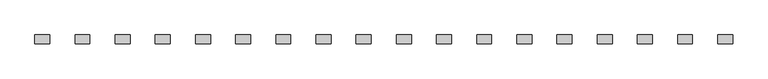
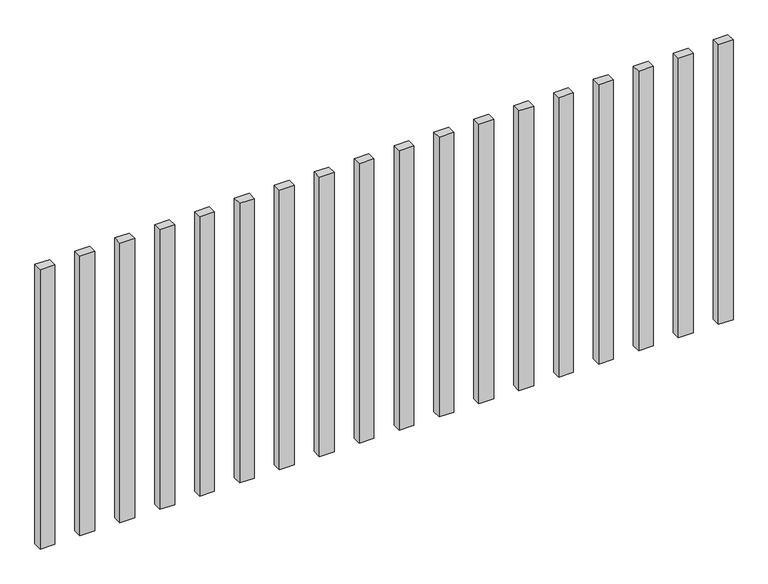
"""IFC4 building model written with IfcOpenShell, lengths in millimetres: railing geometry."""

import ifcopenshell
import ifcopenshell.guid

model = None  # the IFC model being written
_history = None  # IfcOwnerHistory: only IFC2X3 demands one
_inside = {}  # id of a spatial element -> (the spatial element, [elements in it])
_under = {}  # id of a project, library or spatial element -> (it, [spatial elements below it])
_declared = {}  # id of a project -> (the project, [libraries it declares])
_typed = {}  # id of a type object -> (the type object, [elements of that type])
_made_of = {}  # id of a material, layer set ... -> (it, [elements and type objects made of it])


def new_model(schema):
    """Start an empty IFC model of exactly this schema.

    Asked for "IFC4X3", IfcOpenShell would pick the latest addendum, in which some entities
    have other attributes; the version numbers below select the first issue.
    IFC2X3 requires an IfcOwnerHistory on every rooted entity: one is made here for all.
    """
    global model, _history
    if schema == "IFC4X3":
        model = ifcopenshell.file(schema_version=(4, 3, 0, 0))
    else:
        model = ifcopenshell.file(schema=schema)
    _inside.clear()
    _under.clear()
    _declared.clear()
    _typed.clear()
    _made_of.clear()
    _history = None
    if model.schema == "IFC2X3":
        org = make("IfcOrganization", Name="unknown")
        user = make(
            "IfcPersonAndOrganization",
            ThePerson=make("IfcPerson", FamilyName="unknown"),
            TheOrganization=org,
        )
        app = make(
            "IfcApplication",
            ApplicationDeveloper=org,
            Version="unknown",
            ApplicationFullName="unknown",
            ApplicationIdentifier="unknown",
        )
        _history = make(
            "IfcOwnerHistory",
            OwningUser=user,
            OwningApplication=app,
            ChangeAction="ADDED",
            CreationDate=0,
        )
    return model


def make(cls, **values):
    """One entity of the class cls with the attributes given. An attribute that is None is left unset."""
    return model.create_entity(
        cls, **{name: value for name, value in values.items() if value is not None}
    )


def rooted(cls, **values):
    """An entity with a GlobalId (a new one), such as an element, a storey or a relation."""
    return make(cls, GlobalId=ifcopenshell.guid.new(), OwnerHistory=_history, **values)


def si_unit(unit_type, name, prefix=None):
    """IfcSIUnit, for example si_unit("LENGTHUNIT", "METRE", prefix="MILLI")."""
    return make("IfcSIUnit", UnitType=unit_type, Prefix=prefix, Name=name)


def assignment(units):
    """IfcUnitAssignment: the units of a project."""
    return None if units is None else make("IfcUnitAssignment", Units=units)


def point(xyz):
    """IfcCartesianPoint."""
    return None if xyz is None else make("IfcCartesianPoint", Coordinates=xyz)


def direction(xyz):
    """IfcDirection."""
    return None if xyz is None else make("IfcDirection", DirectionRatios=xyz)


def frame(location, z_axis=None, x_axis=None):
    """IfcAxis2Placement3D, a coordinate frame: its origin and axes. An axis left out is left unset."""
    return make(
        "IfcAxis2Placement3D",
        Location=point(location),
        Axis=direction(z_axis),
        RefDirection=direction(x_axis),
    )


def origin():
    """The frame at (0, 0, 0) with its axes left unset."""
    return frame((0.0, 0.0, 0.0))


def origin_with_axes():
    """The frame at (0, 0, 0) with the z axis (0, 0, 1) and the x axis (1, 0, 0) written out."""
    return frame((0.0, 0.0, 0.0), z_axis=(0.0, 0.0, 1.0), x_axis=(1.0, 0.0, 0.0))


def place(relative_to, where):
    """IfcLocalPlacement: puts the frame where relative to a parent placement (None: the world)."""
    return make(
        "IfcLocalPlacement", PlacementRelTo=relative_to, RelativePlacement=where
    )


def context(
    kind, dimensions, precision=None, world=None, true_north=None, identifier=None
):
    """IfcGeometricRepresentationContext, for example the 3D "Model" context."""
    return make(
        "IfcGeometricRepresentationContext",
        ContextIdentifier=identifier,
        ContextType=kind,
        CoordinateSpaceDimension=dimensions,
        Precision=precision,
        WorldCoordinateSystem=world,
        TrueNorth=true_north,
    )


def project(units=None, contexts=None):
    """IfcProject with its units and contexts."""
    return rooted(
        "IfcProject",
        Name="project",
        RepresentationContexts=contexts,
        UnitsInContext=assignment(units),
    )


def spatial(cls, under=None, at=None, **own):
    """A site, building, storey or space (cls), placed at a placement, below another one or the project."""
    s = rooted(cls, ObjectPlacement=at, **own)
    if under is not None:
        _under.setdefault(under.id(), (under, []))[1].append(s)
    return s


def polyline(points):
    """IfcPolyline through the points."""
    return make("IfcPolyline", Points=[point(p) for p in points])


def outline(outer, holes=None, kind="AREA"):
    """IfcArbitraryClosedProfileDef: a profile drawn as a closed curve; with holes, ...WithVoids."""
    if holes is None:
        return make("IfcArbitraryClosedProfileDef", ProfileType=kind, OuterCurve=outer)
    return make(
        "IfcArbitraryProfileDefWithVoids",
        ProfileType=kind,
        OuterCurve=outer,
        InnerCurves=holes,
    )


def extrude(swept, where, along, depth):
    """IfcExtrudedAreaSolid: the profile swept, set in the frame where, extruded along a direction by depth."""
    return make(
        "IfcExtrudedAreaSolid",
        SweptArea=swept,
        Position=where,
        ExtrudedDirection=direction(along),
        Depth=depth,
    )


def shape(context_of_items, identifier, shape_type, items):
    """IfcShapeRepresentation: the items that make up one representation, for example the "Body"."""
    return make(
        "IfcShapeRepresentation",
        ContextOfItems=context_of_items,
        RepresentationIdentifier=identifier,
        RepresentationType=shape_type,
        Items=items,
    )


def source(mapping_origin, context_of_items, identifier, shape_type, items):
    """IfcRepresentationMap: a shape defined once, which mapped items show again and again."""
    return make(
        "IfcRepresentationMap",
        MappingOrigin=mapping_origin,
        MappedRepresentation=shape(context_of_items, identifier, shape_type, items),
    )


def transform(
    local_origin,
    x_axis=None,
    y_axis=None,
    z_axis=None,
    scale=None,
    scale2=None,
    scale3=None,
    uniform=True,
):
    """IfcCartesianTransformationOperator3D, or its non-uniform kind. x_axis, y_axis, z_axis: its Axis1, 2, 3."""
    if uniform:
        return make(
            "IfcCartesianTransformationOperator3D",
            Axis1=direction(x_axis),
            Axis2=direction(y_axis),
            LocalOrigin=point(local_origin),
            Scale=scale,
            Axis3=direction(z_axis),
        )
    return make(
        "IfcCartesianTransformationOperator3DnonUniform",
        Axis1=direction(x_axis),
        Axis2=direction(y_axis),
        LocalOrigin=point(local_origin),
        Scale=scale,
        Axis3=direction(z_axis),
        Scale2=scale2,
        Scale3=scale3,
    )


def mapped(mapping_source, mapping_target):
    """IfcMappedItem: shows the shape of a source again, moved by a transform."""
    return make(
        "IfcMappedItem", MappingSource=mapping_source, MappingTarget=mapping_target
    )


def made_of(thing, what):
    """Note that an element or type object is made of a material, layer set ...; save() writes the relation."""
    if what is not None:
        _made_of.setdefault(what.id(), (what, []))[1].append(thing)
    return thing


def element(
    cls,
    number,
    at=None,
    inside=None,
    cuts=None,
    type_object=None,
    material=None,
    context=None,
    identifier="Body",
    shape_type=None,
    held_by="IfcProductDefinitionShape",
    body=None,
    shapes=None,
    **own,
):
    """One element of the class cls, such as IfcWall. Its Tag is "e" and its number.

    at: its placement. inside: the storey or other place that contains it. cuts: it is an
    opening in that element (IfcRelVoidsElement). A single representation is given by context,
    identifier, shape_type and body (its items); several are given by shapes. held_by: the class
    of the entity that holds the representations. save() writes the other relations.
    """
    e = rooted(cls, Tag="e%d" % number, ObjectPlacement=at, **own)
    if body is not None:
        shapes = [shape(context, identifier, shape_type, body)]
    if shapes is not None:
        e.Representation = make(held_by, Representations=shapes)
    if inside is not None:
        _inside.setdefault(inside.id(), (inside, []))[1].append(e)
    if cuts is not None:
        rooted(
            "IfcRelVoidsElement", RelatingBuildingElement=cuts, RelatedOpeningElement=e
        )
    if type_object is not None:
        _typed.setdefault(type_object.id(), (type_object, []))[1].append(e)
    return made_of(e, material)


def aggregate(whole, parts):
    """IfcRelAggregates: a whole, such as a stair, and the parts it consists of."""
    return rooted("IfcRelAggregates", RelatingObject=whole, RelatedObjects=parts)


def save(model, path):
    """Write the relations noted so far, then the file.

    IfcRelAggregates (storeys below a building ...), IfcRelContainedInSpatialStructure (elements
    in a storey), IfcRelDefinesByType, IfcRelAssociatesMaterial and IfcRelDeclares: one each for
    every whole, place, type object, material and project.
    """
    for whole, parts in _under.values():
        aggregate(whole, parts)
    for where, things in _inside.values():
        rooted(
            "IfcRelContainedInSpatialStructure",
            RelatedElements=things,
            RelatingStructure=where,
        )
    for kind, things in _typed.values():
        rooted("IfcRelDefinesByType", RelatedObjects=things, RelatingType=kind)
    for what, things in _made_of.values():
        rooted("IfcRelAssociatesMaterial", RelatedObjects=things, RelatingMaterial=what)
    for by, libraries in _declared.values():
        rooted("IfcRelDeclares", RelatingContext=by, RelatedDefinitions=libraries)
    model.write(path)


def railing_3a00494e(model_context):
    return source(origin(), model_context, "Body", "SweptSolid", [
        extrude(outline(polyline([(-1107.5700772, -85444.0267127), (-1107.5700772, -85414.0267127), (-1057.5700772, -85414.0267127), (-1057.5700772, -85444.0267127), (-1107.5700772, -85444.0267127)])), origin_with_axes(), (0.0, 0.0, 1.0), 1000.0),
        extrude(outline(polyline([(-1242.5700772, -85444.0267127), (-1242.5700772, -85414.0267127), (-1192.5700772, -85414.0267127), (-1192.5700772, -85444.0267127), (-1242.5700772, -85444.0267127)])), origin_with_axes(), (0.0, 0.0, 1.0), 1000.0),
        extrude(outline(polyline([(-1377.5700772, -85444.0267127), (-1377.5700772, -85414.0267127), (-1327.5700772, -85414.0267127), (-1327.5700772, -85444.0267127), (-1377.5700772, -85444.0267127)])), origin_with_axes(), (0.0, 0.0, 1.0), 1000.0),
        extrude(outline(polyline([(-1512.5700772, -85444.0267127), (-1512.5700772, -85414.0267127), (-1462.5700772, -85414.0267127), (-1462.5700772, -85444.0267127), (-1512.5700772, -85444.0267127)])), origin_with_axes(), (0.0, 0.0, 1.0), 1000.0),
        extrude(outline(polyline([(-1647.5700772, -85444.0267127), (-1647.5700772, -85414.0267127), (-1597.5700772, -85414.0267127), (-1597.5700772, -85444.0267127), (-1647.5700772, -85444.0267127)])), origin_with_axes(), (0.0, 0.0, 1.0), 1000.0),
        extrude(outline(polyline([(-1782.5700772, -85444.0267127), (-1782.5700772, -85414.0267127), (-1732.5700772, -85414.0267127), (-1732.5700772, -85444.0267127), (-1782.5700772, -85444.0267127)])), origin_with_axes(), (0.0, 0.0, 1.0), 1000.0),
        extrude(outline(polyline([(-1917.5700772, -85444.0267127), (-1917.5700772, -85414.0267127), (-1867.5700772, -85414.0267127), (-1867.5700772, -85444.0267127), (-1917.5700772, -85444.0267127)])), origin_with_axes(), (0.0, 0.0, 1.0), 1000.0),
        extrude(outline(polyline([(-2052.5700772, -85444.0267127), (-2052.5700772, -85414.0267127), (-2002.5700772, -85414.0267127), (-2002.5700772, -85444.0267127), (-2052.5700772, -85444.0267127)])), origin_with_axes(), (0.0, 0.0, 1.0), 1000.0),
        extrude(outline(polyline([(-2187.5700772, -85444.0267127), (-2187.5700772, -85414.0267127), (-2137.5700772, -85414.0267127), (-2137.5700772, -85444.0267127), (-2187.5700772, -85444.0267127)])), origin_with_axes(), (0.0, 0.0, 1.0), 1000.0),
        extrude(outline(polyline([(-2322.5700772, -85444.0267127), (-2322.5700772, -85414.0267127), (-2272.5700772, -85414.0267127), (-2272.5700772, -85444.0267127), (-2322.5700772, -85444.0267127)])), origin_with_axes(), (0.0, 0.0, 1.0), 1000.0),
        extrude(outline(polyline([(-2457.5700772, -85444.0267127), (-2457.5700772, -85414.0267127), (-2407.5700772, -85414.0267127), (-2407.5700772, -85444.0267127), (-2457.5700772, -85444.0267127)])), origin_with_axes(), (0.0, 0.0, 1.0), 1000.0),
        extrude(outline(polyline([(-2592.5700772, -85444.0267127), (-2592.5700772, -85414.0267127), (-2542.5700772, -85414.0267127), (-2542.5700772, -85444.0267127), (-2592.5700772, -85444.0267127)])), origin_with_axes(), (0.0, 0.0, 1.0), 1000.0),
        extrude(outline(polyline([(-2727.5700772, -85444.0267127), (-2727.5700772, -85414.0267127), (-2677.5700772, -85414.0267127), (-2677.5700772, -85444.0267127), (-2727.5700772, -85444.0267127)])), origin_with_axes(), (0.0, 0.0, 1.0), 1000.0),
        extrude(outline(polyline([(-2862.5700772, -85444.0267127), (-2862.5700772, -85414.0267127), (-2812.5700772, -85414.0267127), (-2812.5700772, -85444.0267127), (-2862.5700772, -85444.0267127)])), origin_with_axes(), (0.0, 0.0, 1.0), 1000.0),
        extrude(outline(polyline([(-2997.5700772, -85444.0267127), (-2997.5700772, -85414.0267127), (-2947.5700772, -85414.0267127), (-2947.5700772, -85444.0267127), (-2997.5700772, -85444.0267127)])), origin_with_axes(), (0.0, 0.0, 1.0), 1000.0),
        extrude(outline(polyline([(-3132.5700772, -85444.0267127), (-3132.5700772, -85414.0267127), (-3082.5700772, -85414.0267127), (-3082.5700772, -85444.0267127), (-3132.5700772, -85444.0267127)])), origin_with_axes(), (0.0, 0.0, 1.0), 1000.0),
        extrude(outline(polyline([(-3267.5700772, -85444.0267127), (-3267.5700772, -85414.0267127), (-3217.5700772, -85414.0267127), (-3217.5700772, -85444.0267127), (-3267.5700772, -85444.0267127)])), origin_with_axes(), (0.0, 0.0, 1.0), 1000.0),
        extrude(outline(polyline([(-3402.5700772, -85444.0267127), (-3402.5700772, -85414.0267127), (-3352.5700772, -85414.0267127), (-3352.5700772, -85444.0267127), (-3402.5700772, -85444.0267127)])), origin_with_axes(), (0.0, 0.0, 1.0), 1000.0),
    ])


if __name__ == "__main__":
    model = new_model("IFC4")
    model_context = context("Model", 3, world=origin())
    ifc_project = project(units=[si_unit("LENGTHUNIT", "METRE", prefix="MILLI")], contexts=[model_context])
    site = spatial("IfcSite", under=ifc_project)
    building = spatial("IfcBuilding", under=site)
    placement = place(None, origin())
    railing_shape = railing_3a00494e(model_context)
    element("IfcRailing", 1, at=placement, inside=building, context=model_context, shape_type="MappedRepresentation", body=[
        mapped(railing_shape, transform((0.0, 0.0, 0.0), x_axis=(1.0, 0.0, 0.0), y_axis=(0.0, 1.0, 0.0), z_axis=(0.0, 0.0, 1.0))),
    ])
    save(model, "model.ifc")
